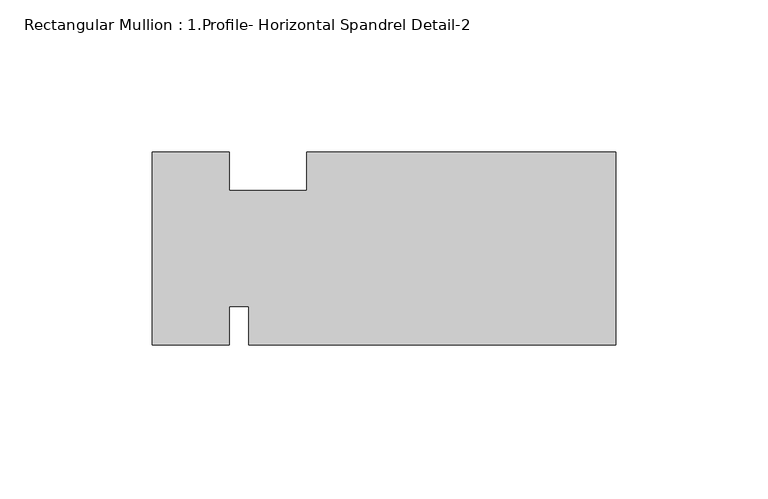
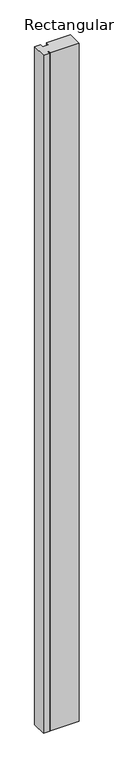
"""IFC4 building model written with IfcOpenShell, lengths in millimetres: member geometry, Rectangular Mullion : 1.Profile- Horizontal Spandrel Detail-2."""

from ifc_helpers import new_model, si_unit, frame, origin, place, context, project, spatial, polyline, outline, extrude, source, transform, mapped, element, save


def rectangular_mullion_1_profile_horizontal_spandrel_detail_2_bc187e7b(model_context):
    return source(origin(), model_context, "Body", "SweptSolid", [
        extrude(outline(polyline([(-126.993775, -19.05), (-126.993775, -31.75), (-152.4, -31.75), (-152.4, 31.75), (-126.993775, 31.75), (-126.993775, 19.0627), (-101.6094452, 19.0627), (-101.6094452, 31.75), (0.0, 31.75), (0.0, -31.75), (-120.656225, -31.75), (-120.656225, -19.05), (-126.993775, -19.05)])), frame((0.0, 0.0, -3048.0), z_axis=(0.0, 0.0, 1.0), x_axis=(1.0, 0.0, 0.0)), (0.0, 0.0, 1.0), 3048.0),
    ])


if __name__ == "__main__":
    model = new_model("IFC4")
    model_context = context("Model", 3, world=origin())
    ifc_project = project(units=[si_unit("LENGTHUNIT", "METRE", prefix="MILLI")], contexts=[model_context])
    site = spatial("IfcSite", under=ifc_project)
    building = spatial("IfcBuilding", under=site)
    placement = place(None, origin())
    rectangular_mullion_1_profile_horizontal_spandrel_detail_2_shape = rectangular_mullion_1_profile_horizontal_spandrel_detail_2_bc187e7b(model_context)
    element("IfcMember", 1, ObjectType="Rectangular Mullion : 1.Profile- Horizontal Spandrel Detail-2", at=placement, inside=building, context=model_context, shape_type="MappedRepresentation", body=[
        mapped(rectangular_mullion_1_profile_horizontal_spandrel_detail_2_shape, transform((0.0, 0.0, 0.0), x_axis=(1.0, 0.0, 0.0), y_axis=(0.0, 1.0, 0.0), z_axis=(0.0, 0.0, 1.0))),
    ])
    save(model, "model.ifc")
